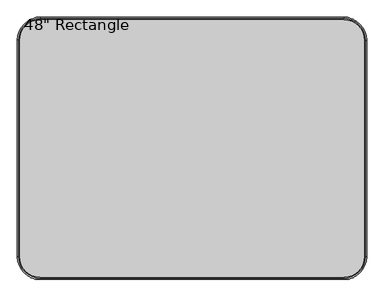
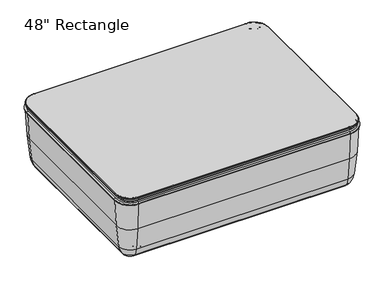
"""IFC4 building model written with IfcOpenShell, lengths in millimetres: furniture geometry."""

from ifc_helpers import new_model, si_unit, point, frame, origin, place, context, project, spatial, polyline, circle_curve, ellipse_curve, trimmed, source, transform, mapped, element, save
from ifc_brep_helpers import plane_surface, cylinder_surface, revolved_surface, advanced_brep


def furniture_ca4c67f7(model_context):
    return source(origin(), model_context, "Body", "AdvancedBrep", [
        advanced_brep(
        [(452.4001866, 300.0089309, 25.0), (489.9023802, 300.0089309, 25.0), (414.8979929, 300.0089309, 25.0), (489.9023802, 300.0089309, 10.0663568), (414.8979929, 300.0089309, 10.0663568), (479.8360233, 300.0089309, 0.0), (424.9643498, 300.0089309, 0.0), (452.4001866, 300.0089309, 0.0)],
        [
            (0, 1),
            (1, 2, circle_curve(frame((452.4001866, 300.0089309, 25.0), z_axis=(0.0, 0.0, 1.0), x_axis=(1.0, 0.0, 0.0)), 37.5021936)),
            (2, 0),
            (2, 1, circle_curve(frame((452.4001866, 300.0089309, 25.0), z_axis=(0.0, 0.0, 1.0), x_axis=(1.0, 0.0, 0.0)), 37.5021936)),
            (1, 3),
            (3, 4, circle_curve(frame((452.4001866, 300.0089309, 10.0663568), z_axis=(0.0, 0.0, 1.0), x_axis=(1.0, 0.0, 0.0)), 37.5021936)),
            (4, 2),
            (4, 3, circle_curve(frame((452.4001866, 300.0089309, 10.0663568), z_axis=(0.0, 0.0, 1.0), x_axis=(1.0, 0.0, 0.0)), 37.5021936)),
            (3, 5, circle_curve(frame((479.8360233, 300.0089309, 10.0663568), z_axis=(0.0, 1.0, 0.0), x_axis=(-1.0, 0.0, 0.0)), 10.0663568)),
            (5, 6, circle_curve(frame((452.4001866, 300.0089309, 0.0), z_axis=(0.0, 0.0, 1.0), x_axis=(1.0, 0.0, 0.0)), 27.4358368)),
            (6, 4, circle_curve(frame((424.9643498, 300.0089309, 10.0663568), z_axis=(0.0, 1.0, 0.0), x_axis=(1.0, 0.0, 0.0)), 10.0663568)),
            (6, 5, circle_curve(frame((452.4001866, 300.0089309, 0.0), z_axis=(0.0, 0.0, 1.0), x_axis=(1.0, 0.0, 0.0)), 27.4358368)),
            (5, 7),
            (7, 6),
        ],
        [
            plane_surface(frame((452.4001866, 300.0089309, 25.0), z_axis=(0.0, 0.0, 1.0), x_axis=(1.0, 0.0, 0.0))),
            cylinder_surface(frame((452.4001866, 300.0089309, 25.0), z_axis=(0.0, 0.0, 1.0), x_axis=(1.0, 0.0, 0.0)), 37.5021936),
            revolved_surface(trimmed(ellipse_curve(frame((479.8360233, 300.0089309, 10.0663568), z_axis=(0.0, -1.0, 0.0), x_axis=(-1.0, 0.0, 0.0)), 10.0663568, 10.0663568), [point((479.8360233, 300.0089309, 0.0))], [point((489.9023802, 300.0089309, 10.0663568))], True, "CARTESIAN"), (452.4001866, 300.0089309, 25.0), (0.0, 0.0, 1.0)),
            plane_surface(frame((452.4001866, 300.0089309, 0.0), z_axis=(0.0, 0.0, -1.0), x_axis=(1.0, 0.0, 0.0))),
        ],
        [
            (0, [[1, 2, 3]]),
            (0, [[-3, 4, -1]]),
            (1, [[-2, 5, 6, 7]]),
            (1, [[-4, -7, 8, -5]]),
            (2, [[-6, 9, 10, 11]]),
            (2, [[-8, -11, 12, -9]]),
            (3, [[-10, 13, 14]]),
            (3, [[-12, -14, -13]]),
        ],
    ),
        advanced_brep(
        [(-414.8979929, 300.0089309, 25.0), (-489.9023802, 300.0089309, 25.0), (-452.4001866, 300.0089309, 25.0), (-414.8979929, 300.0089309, 10.0663568), (-489.9023802, 300.0089309, 10.0663568), (-424.9643498, 300.0089309, 0.0), (-479.8360233, 300.0089309, 0.0), (-452.4001866, 300.0089309, 0.0)],
        [
            (0, 1, circle_curve(frame((-452.4001866, 300.0089309, 25.0), z_axis=(0.0, 0.0, 1.0), x_axis=(-1.0, 0.0, 0.0)), 37.5021936)),
            (1, 2),
            (2, 0),
            (1, 0, circle_curve(frame((-452.4001866, 300.0089309, 25.0), z_axis=(0.0, 0.0, 1.0), x_axis=(-1.0, 0.0, 0.0)), 37.5021936)),
            (3, 4, circle_curve(frame((-452.4001866, 300.0089309, 10.0663568), z_axis=(0.0, 0.0, 1.0), x_axis=(-1.0, 0.0, 0.0)), 37.5021936)),
            (4, 1),
            (0, 3),
            (4, 3, circle_curve(frame((-452.4001866, 300.0089309, 10.0663568), z_axis=(0.0, 0.0, 1.0), x_axis=(-1.0, 0.0, 0.0)), 37.5021936)),
            (5, 6, circle_curve(frame((-452.4001866, 300.0089309, 0.0), z_axis=(0.0, 0.0, 1.0), x_axis=(-1.0, 0.0, 0.0)), 27.4358368)),
            (6, 4, circle_curve(frame((-479.8360233, 300.0089309, 10.0663568), z_axis=(0.0, 1.0, 0.0), x_axis=(-1.0, 0.0, 0.0)), 10.0663568)),
            (3, 5, circle_curve(frame((-424.9643498, 300.0089309, 10.0663568), z_axis=(0.0, 1.0, 0.0), x_axis=(1.0, 0.0, 0.0)), 10.0663568)),
            (6, 5, circle_curve(frame((-452.4001866, 300.0089309, 0.0), z_axis=(0.0, 0.0, 1.0), x_axis=(-1.0, 0.0, 0.0)), 27.4358368)),
            (7, 6),
            (5, 7),
        ],
        [
            plane_surface(frame((-452.4001866, 300.0089309, 25.0), z_axis=(0.0, 0.0, 1.0), x_axis=(-1.0, 0.0, 0.0))),
            cylinder_surface(frame((-452.4001866, 300.0089309, 25.0), z_axis=(0.0, 0.0, -1.0), x_axis=(-1.0, 0.0, 0.0)), 37.5021936),
            revolved_surface(trimmed(ellipse_curve(frame((-479.8360233, 300.0089309, 10.0663568), z_axis=(0.0, -1.0, 0.0), x_axis=(-1.0, 0.0, 0.0)), 10.0663568, 10.0663568), [point((-489.9023802, 300.0089309, 10.0663568))], [point((-479.8360233, 300.0089309, 0.0))], True, "CARTESIAN"), (-452.4001866, 300.0089309, 25.0), (0.0, 0.0, -1.0)),
            plane_surface(frame((-452.4001866, 300.0089309, 0.0), z_axis=(0.0, 0.0, -1.0), x_axis=(-1.0, 0.0, 0.0))),
        ],
        [
            (0, [[1, 2, 3]]),
            (0, [[4, -3, -2]]),
            (1, [[5, 6, -1, 7]]),
            (1, [[8, -7, -4, -6]]),
            (2, [[9, 10, -5, 11]]),
            (2, [[12, -11, -8, -10]]),
            (3, [[13, -9, 14]]),
            (3, [[-14, -12, -13]]),
        ],
    ),
        advanced_brep(
        [(414.8979929, -300.0089309, 25.0), (489.9023802, -300.0089309, 25.0), (452.4001866, -300.0089309, 25.0), (414.8979929, -300.0089309, 10.0663568), (489.9023802, -300.0089309, 10.0663568), (424.9643498, -300.0089309, 0.0), (479.8360233, -300.0089309, 0.0), (452.4001866, -300.0089309, 0.0)],
        [
            (0, 1, circle_curve(frame((452.4001866, -300.0089309, 25.0), z_axis=(0.0, 0.0, 1.0), x_axis=(1.0, 0.0, 0.0)), 37.5021936)),
            (1, 2),
            (2, 0),
            (1, 0, circle_curve(frame((452.4001866, -300.0089309, 25.0), z_axis=(0.0, 0.0, 1.0), x_axis=(1.0, 0.0, 0.0)), 37.5021936)),
            (3, 4, circle_curve(frame((452.4001866, -300.0089309, 10.0663568), z_axis=(0.0, 0.0, 1.0), x_axis=(1.0, 0.0, 0.0)), 37.5021936)),
            (4, 1),
            (0, 3),
            (4, 3, circle_curve(frame((452.4001866, -300.0089309, 10.0663568), z_axis=(0.0, 0.0, 1.0), x_axis=(1.0, 0.0, 0.0)), 37.5021936)),
            (5, 6, circle_curve(frame((452.4001866, -300.0089309, 0.0), z_axis=(0.0, 0.0, 1.0), x_axis=(1.0, 0.0, 0.0)), 27.4358368)),
            (6, 4, circle_curve(frame((479.8360233, -300.0089309, 10.0663568), z_axis=(0.0, -1.0, 0.0), x_axis=(-1.0, 0.0, 0.0)), 10.0663568)),
            (3, 5, circle_curve(frame((424.9643498, -300.0089309, 10.0663568), z_axis=(0.0, -1.0, 0.0), x_axis=(1.0, 0.0, 0.0)), 10.0663568)),
            (6, 5, circle_curve(frame((452.4001866, -300.0089309, 0.0), z_axis=(0.0, 0.0, 1.0), x_axis=(1.0, 0.0, 0.0)), 27.4358368)),
            (7, 6),
            (5, 7),
        ],
        [
            plane_surface(frame((452.4001866, -300.0089309, 25.0), z_axis=(0.0, 0.0, 1.0), x_axis=(1.0, 0.0, 0.0))),
            cylinder_surface(frame((452.4001866, -300.0089309, 25.0), z_axis=(0.0, 0.0, -1.0), x_axis=(1.0, 0.0, 0.0)), 37.5021936),
            revolved_surface(trimmed(ellipse_curve(frame((479.8360233, -300.0089309, 10.0663568), z_axis=(0.0, 1.0, 0.0), x_axis=(-1.0, 0.0, 0.0)), 10.0663568, 10.0663568), [point((489.9023802, -300.0089309, 10.0663568))], [point((479.8360233, -300.0089309, 0.0))], True, "CARTESIAN"), (452.4001866, -300.0089309, 25.0), (0.0, 0.0, -1.0)),
            plane_surface(frame((452.4001866, -300.0089309, 0.0), z_axis=(0.0, 0.0, -1.0), x_axis=(1.0, 0.0, 0.0))),
        ],
        [
            (0, [[1, 2, 3]]),
            (0, [[4, -3, -2]]),
            (1, [[5, 6, -1, 7]]),
            (1, [[8, -7, -4, -6]]),
            (2, [[9, 10, -5, 11]]),
            (2, [[12, -11, -8, -10]]),
            (3, [[13, -9, 14]]),
            (3, [[-14, -12, -13]]),
        ],
    ),
        advanced_brep(
        [(-452.4001866, -300.0089309, 25.0), (-489.9023802, -300.0089309, 25.0), (-414.8979929, -300.0089309, 25.0), (-489.9023802, -300.0089309, 10.0663568), (-414.8979929, -300.0089309, 10.0663568), (-479.8360233, -300.0089309, 0.0), (-424.9643498, -300.0089309, 0.0), (-452.4001866, -300.0089309, 0.0)],
        [
            (0, 1),
            (1, 2, circle_curve(frame((-452.4001866, -300.0089309, 25.0), z_axis=(0.0, 0.0, 1.0), x_axis=(-1.0, 0.0, 0.0)), 37.5021936)),
            (2, 0),
            (2, 1, circle_curve(frame((-452.4001866, -300.0089309, 25.0), z_axis=(0.0, 0.0, 1.0), x_axis=(-1.0, 0.0, 0.0)), 37.5021936)),
            (1, 3),
            (3, 4, circle_curve(frame((-452.4001866, -300.0089309, 10.0663568), z_axis=(0.0, 0.0, 1.0), x_axis=(-1.0, 0.0, 0.0)), 37.5021936)),
            (4, 2),
            (4, 3, circle_curve(frame((-452.4001866, -300.0089309, 10.0663568), z_axis=(0.0, 0.0, 1.0), x_axis=(-1.0, 0.0, 0.0)), 37.5021936)),
            (3, 5, circle_curve(frame((-479.8360233, -300.0089309, 10.0663568), z_axis=(0.0, -1.0, 0.0), x_axis=(-1.0, 0.0, 0.0)), 10.0663568)),
            (5, 6, circle_curve(frame((-452.4001866, -300.0089309, 0.0), z_axis=(0.0, 0.0, 1.0), x_axis=(-1.0, 0.0, 0.0)), 27.4358368)),
            (6, 4, circle_curve(frame((-424.9643498, -300.0089309, 10.0663568), z_axis=(0.0, -1.0, 0.0), x_axis=(1.0, 0.0, 0.0)), 10.0663568)),
            (6, 5, circle_curve(frame((-452.4001866, -300.0089309, 0.0), z_axis=(0.0, 0.0, 1.0), x_axis=(-1.0, 0.0, 0.0)), 27.4358368)),
            (5, 7),
            (7, 6),
        ],
        [
            plane_surface(frame((-452.4001866, -300.0089309, 25.0), z_axis=(0.0, 0.0, 1.0), x_axis=(-1.0, 0.0, 0.0))),
            cylinder_surface(frame((-452.4001866, -300.0089309, 25.0), z_axis=(0.0, 0.0, 1.0), x_axis=(-1.0, 0.0, 0.0)), 37.5021936),
            revolved_surface(trimmed(ellipse_curve(frame((-479.8360233, -300.0089309, 10.0663568), z_axis=(0.0, 1.0, 0.0), x_axis=(-1.0, 0.0, 0.0)), 10.0663568, 10.0663568), [point((-479.8360233, -300.0089309, 0.0))], [point((-489.9023802, -300.0089309, 10.0663568))], True, "CARTESIAN"), (-452.4001866, -300.0089309, 25.0), (0.0, 0.0, 1.0)),
            plane_surface(frame((-452.4001866, -300.0089309, 0.0), z_axis=(0.0, 0.0, -1.0), x_axis=(-1.0, 0.0, 0.0))),
        ],
        [
            (0, [[1, 2, 3]]),
            (0, [[-3, 4, -1]]),
            (1, [[-2, 5, 6, 7]]),
            (1, [[-4, -7, 8, -5]]),
            (2, [[-6, 9, 10, 11]]),
            (2, [[-8, -11, 12, -9]]),
            (3, [[-10, 13, 14]]),
            (3, [[-12, -14, -13]]),
        ],
    ),
        advanced_brep(
        [(534.6, -462.1938413, 340.0122715), (614.5938413, -382.2, 340.0122715), (604.6061587, -382.2, 340.0122715), (534.6, -452.2061587, 340.0122715), (-534.6, -452.2061587, 340.0122715), (-534.6, -462.1938413, 340.0122715), (-614.5938413, -382.2, 340.0122715), (-604.6061587, -382.2, 340.0122715), (-604.6061587, 382.2, 340.0122715), (-614.5938413, 382.2, 340.0122715), (-534.6, 462.1938413, 340.0122715), (-534.6, 452.2061587, 340.0122715), (534.6, 452.2061587, 340.0122715), (534.6, 462.1938413, 340.0122715), (614.5938413, 382.2, 340.0122715), (604.6061587, 382.2, 340.0122715)],
        [
            (0, 1, circle_curve(frame((534.6, -382.2, 340.0122715), z_axis=(0.0, 0.0, 1.0), x_axis=(1.0, 0.0, 0.0)), 79.9938413)),
            (1, 2, circle_curve(frame((609.6, -382.2, 340.0122715), z_axis=(0.0, -1.0, 0.0), x_axis=(1.0, 0.0, 0.0)), 4.9938413)),
            (2, 3, circle_curve(frame((534.6, -382.2, 340.0122715), z_axis=(0.0, 0.0, -1.0), x_axis=(1.0, 0.0, 0.0)), 70.0061587)),
            (3, 0, circle_curve(frame((534.6, -457.2, 340.0122715), z_axis=(1.0, 0.0, 0.0), x_axis=(0.0, -1.0, 0.0)), 4.9938413)),
            (2, 1, circle_curve(frame((609.6, -382.2, 340.0122715), z_axis=(0.0, -1.0, 0.0), x_axis=(1.0, 0.0, 0.0)), 4.9938413)),
            (0, 3, circle_curve(frame((534.6, -457.2, 340.0122715), z_axis=(1.0, 0.0, 0.0), x_axis=(0.0, -1.0, 0.0)), 4.9938413)),
            (3, 4),
            (4, 5, circle_curve(frame((-534.6, -457.2, 340.0122715), z_axis=(1.0, 0.0, 0.0), x_axis=(0.0, -1.0, 0.0)), 4.9938413)),
            (5, 0),
            (5, 4, circle_curve(frame((-534.6, -457.2, 340.0122715), z_axis=(1.0, 0.0, 0.0), x_axis=(0.0, -1.0, 0.0)), 4.9938413)),
            (6, 5, circle_curve(frame((-534.6, -382.2, 340.0122715), z_axis=(0.0, 0.0, 1.0), x_axis=(0.0, -1.0, 0.0)), 79.9938413)),
            (4, 7, circle_curve(frame((-534.6, -382.2, 340.0122715), z_axis=(0.0, 0.0, -1.0), x_axis=(0.0, -1.0, 0.0)), 70.0061587)),
            (7, 6, circle_curve(frame((-609.6, -382.2, 340.0122715), z_axis=(0.0, -1.0, 0.0), x_axis=(-1.0, 0.0, 0.0)), 4.9938413)),
            (6, 7, circle_curve(frame((-609.6, -382.2, 340.0122715), z_axis=(0.0, -1.0, 0.0), x_axis=(-1.0, 0.0, 0.0)), 4.9938413)),
            (7, 8),
            (8, 9, circle_curve(frame((-609.6, 382.2, 340.0122715), z_axis=(0.0, -1.0, 0.0), x_axis=(-1.0, 0.0, 0.0)), 4.9938413)),
            (9, 6),
            (9, 8, circle_curve(frame((-609.6, 382.2, 340.0122715), z_axis=(0.0, -1.0, 0.0), x_axis=(-1.0, 0.0, 0.0)), 4.9938413)),
            (10, 9, circle_curve(frame((-534.6, 382.2, 340.0122715), z_axis=(0.0, 0.0, 1.0), x_axis=(-1.0, 0.0, 0.0)), 79.9938413)),
            (8, 11, circle_curve(frame((-534.6, 382.2, 340.0122715), z_axis=(0.0, 0.0, -1.0), x_axis=(-1.0, 0.0, 0.0)), 70.0061587)),
            (11, 10, circle_curve(frame((-534.6, 457.2, 340.0122715), z_axis=(-1.0, 0.0, 0.0), x_axis=(0.0, 1.0, 0.0)), 4.9938413)),
            (10, 11, circle_curve(frame((-534.6, 457.2, 340.0122715), z_axis=(-1.0, 0.0, 0.0), x_axis=(0.0, 1.0, 0.0)), 4.9938413)),
            (11, 12),
            (12, 13, circle_curve(frame((534.6, 457.2, 340.0122715), z_axis=(-1.0, 0.0, 0.0), x_axis=(0.0, 1.0, 0.0)), 4.9938413)),
            (13, 10),
            (13, 12, circle_curve(frame((534.6, 457.2, 340.0122715), z_axis=(-1.0, 0.0, 0.0), x_axis=(0.0, 1.0, 0.0)), 4.9938413)),
            (14, 13, circle_curve(frame((534.6, 382.2, 340.0122715), z_axis=(0.0, 0.0, 1.0), x_axis=(0.0, 1.0, 0.0)), 79.9938413)),
            (12, 15, circle_curve(frame((534.6, 382.2, 340.0122715), z_axis=(0.0, 0.0, -1.0), x_axis=(0.0, 1.0, 0.0)), 70.0061587)),
            (15, 14, circle_curve(frame((609.6, 382.2, 340.0122715), z_axis=(0.0, 1.0, 0.0), x_axis=(1.0, 0.0, 0.0)), 4.9938413)),
            (14, 15, circle_curve(frame((609.6, 382.2, 340.0122715), z_axis=(0.0, 1.0, 0.0), x_axis=(1.0, 0.0, 0.0)), 4.9938413)),
            (15, 2),
            (1, 14),
        ],
        [
            revolved_surface(trimmed(ellipse_curve(frame((609.6, -382.2, 340.0122715), z_axis=(0.0, 1.0, 0.0), x_axis=(1.0, 0.0, 0.0)), 4.9938413, 4.9938413), [point((604.6061587, -382.2, 340.0122715))], [point((614.5938413, -382.2, 340.0122715))], True, "CARTESIAN"), (534.6, -382.2, 335.0184302), (0.0, 0.0, -1.0)),
            revolved_surface(trimmed(ellipse_curve(frame((609.6, -382.2, 340.0122715), z_axis=(0.0, 1.0, 0.0), x_axis=(1.0, 0.0, 0.0)), 4.9938413, 4.9938413), [point((614.5938413, -382.2, 340.0122715))], [point((604.6061587, -382.2, 340.0122715))], True, "CARTESIAN"), (534.6, -382.2, 335.0184302), (0.0, 0.0, -1.0)),
            cylinder_surface(frame((534.6, -457.2, 340.0122715), z_axis=(1.0, 0.0, 0.0), x_axis=(0.0, -1.0, 0.0)), 4.9938413),
            revolved_surface(trimmed(ellipse_curve(frame((-534.6, -457.2, 340.0122715), z_axis=(1.0, 0.0, 0.0), x_axis=(0.0, -1.0, 0.0)), 4.9938413, 4.9938413), [point((-534.6, -452.2061587, 340.0122715))], [point((-534.6, -462.1938413, 340.0122715))], True, "CARTESIAN"), (-534.6, -382.2, 335.0184302), (0.0, 0.0, -1.0)),
            revolved_surface(trimmed(ellipse_curve(frame((-534.6, -457.2, 340.0122715), z_axis=(1.0, 0.0, 0.0), x_axis=(0.0, -1.0, 0.0)), 4.9938413, 4.9938413), [point((-534.6, -462.1938413, 340.0122715))], [point((-534.6, -452.2061587, 340.0122715))], True, "CARTESIAN"), (-534.6, -382.2, 335.0184302), (0.0, 0.0, -1.0)),
            cylinder_surface(frame((-609.6, -382.2, 340.0122715), z_axis=(0.0, -1.0, 0.0), x_axis=(-1.0, 0.0, 0.0)), 4.9938413),
            revolved_surface(trimmed(ellipse_curve(frame((-609.6, 382.2, 340.0122715), z_axis=(0.0, -1.0, 0.0), x_axis=(-1.0, 0.0, 0.0)), 4.9938413, 4.9938413), [point((-604.6061587, 382.2, 340.0122715))], [point((-614.5938413, 382.2, 340.0122715))], True, "CARTESIAN"), (-534.6, 382.2, 335.0184302), (0.0, 0.0, -1.0)),
            revolved_surface(trimmed(ellipse_curve(frame((-609.6, 382.2, 340.0122715), z_axis=(0.0, -1.0, 0.0), x_axis=(-1.0, 0.0, 0.0)), 4.9938413, 4.9938413), [point((-614.5938413, 382.2, 340.0122715))], [point((-604.6061587, 382.2, 340.0122715))], True, "CARTESIAN"), (-534.6, 382.2, 335.0184302), (0.0, 0.0, -1.0)),
            cylinder_surface(frame((-534.6, 457.2, 340.0122715), z_axis=(-1.0, 0.0, 0.0), x_axis=(0.0, 1.0, 0.0)), 4.9938413),
            revolved_surface(trimmed(ellipse_curve(frame((534.6, 457.2, 340.0122715), z_axis=(-1.0, 0.0, 0.0), x_axis=(0.0, 1.0, 0.0)), 4.9938413, 4.9938413), [point((534.6, 452.2061587, 340.0122715))], [point((534.6, 462.1938413, 340.0122715))], True, "CARTESIAN"), (534.6, 382.2, 335.0184302), (0.0, 0.0, -1.0)),
            revolved_surface(trimmed(ellipse_curve(frame((534.6, 457.2, 340.0122715), z_axis=(-1.0, 0.0, 0.0), x_axis=(0.0, 1.0, 0.0)), 4.9938413, 4.9938413), [point((534.6, 462.1938413, 340.0122715))], [point((534.6, 452.2061587, 340.0122715))], True, "CARTESIAN"), (534.6, 382.2, 335.0184302), (0.0, 0.0, -1.0)),
            cylinder_surface(frame((609.6, 382.2, 340.0122715), z_axis=(0.0, 1.0, 0.0), x_axis=(1.0, 0.0, 0.0)), 4.9938413),
        ],
        [
            (0, [[1, 2, 3, 4]]),
            (1, [[-3, 5, -1, 6]]),
            (2, [[-4, 7, 8, 9]]),
            (2, [[-6, -9, 10, -7]]),
            (3, [[11, -8, 12, 13]]),
            (4, [[-12, -10, -11, 14]]),
            (5, [[-13, 15, 16, 17]]),
            (5, [[-14, -17, 18, -15]]),
            (6, [[19, -16, 20, 21]]),
            (7, [[-20, -18, -19, 22]]),
            (8, [[-21, 23, 24, 25]]),
            (8, [[-22, -25, 26, -23]]),
            (9, [[27, -24, 28, 29]]),
            (10, [[-28, -26, -27, 30]]),
            (11, [[-29, 31, -2, 32]]),
            (11, [[-30, -32, -5, -31]]),
        ],
    ),
        advanced_brep(
        [(534.6, 454.025, 370.0), (-534.6, 454.025, 370.0), (-606.425, 382.2, 370.0), (-606.425, -382.2, 370.0), (-534.6, -454.025, 370.0), (534.6, -454.025, 370.0), (606.425, -382.2, 370.0), (606.425, 382.2, 370.0), (-534.6, -430.85, 335.0184302), (-583.25, -382.2, 335.0184302), (-583.25, 382.2, 335.0184302), (-534.6, 430.85, 335.0184302), (534.6, 430.85, 335.0184302), (583.25, 382.2, 335.0184302), (583.25, -382.2, 335.0184302), (534.6, -430.85, 335.0184302), (534.6, -430.85, 340.0), (-534.6, -430.85, 340.0), (583.25, -382.2, 340.0), (583.25, 382.2, 340.0), (534.6, 430.85, 340.0), (-534.6, 430.85, 340.0), (-583.25, 382.2, 340.0), (-583.25, -382.2, 340.0), (-534.6, -437.2, 350.0), (-589.6, -382.2, 350.0), (-589.6, -382.2, 340.0), (-534.6, -437.2, 340.0), (-534.6, -457.2, 366.825), (-609.6, -382.2, 366.825), (-609.6, -382.2, 365.875), (-534.6, -457.2, 365.875), (534.6, -437.2, 340.0), (534.6, -437.2, 350.0), (534.6, -457.2, 365.875), (534.6, -457.2, 366.825), (589.6, -382.2, 340.0), (589.6, -382.2, 350.0), (609.6, -382.2, 365.875), (609.6, -382.2, 366.825), (589.6, 382.2, 340.0), (589.6, 382.2, 350.0), (609.6, 382.2, 365.875), (609.6, 382.2, 366.825), (534.6, 437.2, 340.0), (534.6, 437.2, 350.0), (534.6, 457.2, 365.875), (534.6, 457.2, 366.825), (-534.6, 437.2, 340.0), (-534.6, 437.2, 350.0), (-534.6, 457.2, 365.875), (-534.6, 457.2, 366.825), (-589.6, 382.2, 340.0), (-589.6, 382.2, 350.0), (-609.6, 382.2, 365.875), (-609.6, 382.2, 366.825), (-593.725, -382.2, 350.0), (-593.725, 382.2, 350.0), (-534.6, 441.325, 350.0), (534.6, 441.325, 350.0), (593.725, 382.2, 350.0), (593.725, -382.2, 350.0), (534.6, -441.325, 350.0), (-534.6, -441.325, 350.0)],
        [
            (0, 1),
            (1, 2, circle_curve(frame((-534.6, 382.2, 370.0), z_axis=(0.0, 0.0, 1.0), x_axis=(0.0, 1.0, 0.0)), 71.825)),
            (2, 3),
            (3, 4, circle_curve(frame((-534.6, -382.2, 370.0), z_axis=(0.0, 0.0, 1.0), x_axis=(-1.0, 0.0, 0.0)), 71.825)),
            (4, 5),
            (5, 6, circle_curve(frame((534.6, -382.2, 370.0), z_axis=(0.0, 0.0, 1.0), x_axis=(0.0, -1.0, 0.0)), 71.825)),
            (6, 7),
            (7, 0, circle_curve(frame((534.6, 382.2, 370.0), z_axis=(0.0, 0.0, 1.0), x_axis=(1.0, 0.0, 0.0)), 71.825)),
            (8, 9, circle_curve(frame((-534.6, -382.2, 335.0184302), z_axis=(0.0, 0.0, -1.0), x_axis=(-1.0, 0.0, 0.0)), 48.65)),
            (9, 10),
            (10, 11, circle_curve(frame((-534.6, 382.2, 335.0184302), z_axis=(0.0, 0.0, -1.0), x_axis=(-1.0, 0.0, 0.0)), 48.65)),
            (11, 12),
            (12, 13, circle_curve(frame((534.6, 382.2, 335.0184302), z_axis=(0.0, 0.0, -1.0), x_axis=(-1.0, 0.0, 0.0)), 48.65)),
            (13, 14),
            (14, 15, circle_curve(frame((534.6, -382.2, 335.0184302), z_axis=(0.0, 0.0, -1.0), x_axis=(-1.0, 0.0, 0.0)), 48.65)),
            (15, 8),
            (15, 16),
            (16, 17),
            (17, 8),
            (14, 18),
            (18, 16, circle_curve(frame((534.6, -382.2, 340.0), z_axis=(0.0, 0.0, -1.0), x_axis=(-1.0, 0.0, 0.0)), 48.65)),
            (13, 19),
            (19, 18),
            (12, 20),
            (20, 19, circle_curve(frame((534.6, 382.2, 340.0), z_axis=(0.0, 0.0, -1.0), x_axis=(-1.0, 0.0, 0.0)), 48.65)),
            (11, 21),
            (21, 20),
            (10, 22),
            (22, 21, circle_curve(frame((-534.6, 382.2, 340.0), z_axis=(0.0, 0.0, -1.0), x_axis=(-1.0, 0.0, 0.0)), 48.65)),
            (9, 23),
            (23, 22),
            (17, 23, circle_curve(frame((-534.6, -382.2, 340.0), z_axis=(0.0, 0.0, -1.0), x_axis=(-1.0, 0.0, 0.0)), 48.65)),
            (24, 25, circle_curve(frame((-534.6, -382.2, 350.0), z_axis=(0.0, 0.0, -1.0), x_axis=(-1.0, 0.0, 0.0)), 55.0)),
            (25, 26),
            (26, 27, circle_curve(frame((-534.6, -382.2, 340.0), z_axis=(0.0, 0.0, 1.0), x_axis=(-1.0, 0.0, 0.0)), 55.0)),
            (27, 24),
            (28, 29, circle_curve(frame((-534.6, -382.2, 366.825), z_axis=(0.0, 0.0, -1.0), x_axis=(-1.0, 0.0, 0.0)), 75.0)),
            (29, 30),
            (30, 31, circle_curve(frame((-534.6, -382.2, 365.875), z_axis=(0.0, 0.0, 1.0), x_axis=(-1.0, 0.0, 0.0)), 75.0)),
            (31, 28),
            (27, 32),
            (32, 33),
            (33, 24),
            (31, 34),
            (34, 35),
            (35, 28),
            (32, 36, circle_curve(frame((534.6, -382.2, 340.0), z_axis=(0.0, 0.0, 1.0), x_axis=(0.0, -1.0, 0.0)), 55.0)),
            (36, 37),
            (37, 33, circle_curve(frame((534.6, -382.2, 350.0), z_axis=(0.0, 0.0, -1.0), x_axis=(0.0, -1.0, 0.0)), 55.0)),
            (34, 38, circle_curve(frame((534.6, -382.2, 365.875), z_axis=(0.0, 0.0, 1.0), x_axis=(0.0, -1.0, 0.0)), 75.0)),
            (38, 39),
            (39, 35, circle_curve(frame((534.6, -382.2, 366.825), z_axis=(0.0, 0.0, -1.0), x_axis=(0.0, -1.0, 0.0)), 75.0)),
            (36, 40),
            (40, 41),
            (41, 37),
            (38, 42),
            (42, 43),
            (43, 39),
            (40, 44, circle_curve(frame((534.6, 382.2, 340.0), z_axis=(0.0, 0.0, 1.0), x_axis=(1.0, 0.0, 0.0)), 55.0)),
            (44, 45),
            (45, 41, circle_curve(frame((534.6, 382.2, 350.0), z_axis=(0.0, 0.0, -1.0), x_axis=(1.0, 0.0, 0.0)), 55.0)),
            (42, 46, circle_curve(frame((534.6, 382.2, 365.875), z_axis=(0.0, 0.0, 1.0), x_axis=(1.0, 0.0, 0.0)), 75.0)),
            (46, 47),
            (47, 43, circle_curve(frame((534.6, 382.2, 366.825), z_axis=(0.0, 0.0, -1.0), x_axis=(1.0, 0.0, 0.0)), 75.0)),
            (44, 48),
            (48, 49),
            (49, 45),
            (46, 50),
            (50, 51),
            (51, 47),
            (48, 52, circle_curve(frame((-534.6, 382.2, 340.0), z_axis=(0.0, 0.0, 1.0), x_axis=(0.0, 1.0, 0.0)), 55.0)),
            (52, 53),
            (53, 49, circle_curve(frame((-534.6, 382.2, 350.0), z_axis=(0.0, 0.0, -1.0), x_axis=(0.0, 1.0, 0.0)), 55.0)),
            (50, 54, circle_curve(frame((-534.6, 382.2, 365.875), z_axis=(0.0, 0.0, 1.0), x_axis=(0.0, 1.0, 0.0)), 75.0)),
            (54, 55),
            (55, 51, circle_curve(frame((-534.6, 382.2, 366.825), z_axis=(0.0, 0.0, -1.0), x_axis=(0.0, 1.0, 0.0)), 75.0)),
            (25, 53),
            (52, 26),
            (56, 57),
            (57, 58, circle_curve(frame((-534.6, 382.2, 350.0), z_axis=(0.0, 0.0, -1.0), x_axis=(0.0, 1.0, 0.0)), 59.125)),
            (58, 59),
            (59, 60, circle_curve(frame((534.6, 382.2, 350.0), z_axis=(0.0, 0.0, -1.0), x_axis=(1.0, 0.0, 0.0)), 59.125)),
            (60, 61),
            (61, 62, circle_curve(frame((534.6, -382.2, 350.0), z_axis=(0.0, 0.0, -1.0), x_axis=(0.0, -1.0, 0.0)), 59.125)),
            (62, 63),
            (63, 56, circle_curve(frame((-534.6, -382.2, 350.0), z_axis=(0.0, 0.0, -1.0), x_axis=(-1.0, 0.0, 0.0)), 59.125)),
            (29, 55),
            (54, 30),
            (30, 56, circle_curve(frame((-593.725, -382.2, 365.875), z_axis=(0.0, -1.0, 0.0), x_axis=(1.0, 0.0, 0.0)), 15.875)),
            (63, 31, circle_curve(frame((-534.6, -441.325, 365.875), z_axis=(-1.0, 0.0, 0.0), x_axis=(0.0, 1.0, 0.0)), 15.875)),
            (28, 4, circle_curve(frame((-534.6, -454.025, 366.825), z_axis=(-1.0, 0.0, 0.0), x_axis=(0.0, 1.0, 0.0)), 3.175)),
            (3, 29, circle_curve(frame((-606.425, -382.2, 366.825), z_axis=(0.0, -1.0, 0.0), x_axis=(1.0, 0.0, 0.0)), 3.175)),
            (62, 34, circle_curve(frame((534.6, -441.325, 365.875), z_axis=(-1.0, 0.0, 0.0), x_axis=(0.0, 1.0, 0.0)), 15.875)),
            (35, 5, circle_curve(frame((534.6, -454.025, 366.825), z_axis=(-1.0, 0.0, 0.0), x_axis=(0.0, 1.0, 0.0)), 3.175)),
            (61, 38, circle_curve(frame((593.725, -382.2, 365.875), z_axis=(0.0, -1.0, 0.0), x_axis=(-1.0, 0.0, 0.0)), 15.875)),
            (39, 6, circle_curve(frame((606.425, -382.2, 366.825), z_axis=(0.0, -1.0, 0.0), x_axis=(-1.0, 0.0, 0.0)), 3.175)),
            (60, 42, circle_curve(frame((593.725, 382.2, 365.875), z_axis=(0.0, -1.0, 0.0), x_axis=(-1.0, 0.0, 0.0)), 15.875)),
            (43, 7, circle_curve(frame((606.425, 382.2, 366.825), z_axis=(0.0, -1.0, 0.0), x_axis=(-1.0, 0.0, 0.0)), 3.175)),
            (59, 46, circle_curve(frame((534.6, 441.325, 365.875), z_axis=(1.0, 0.0, 0.0), x_axis=(0.0, -1.0, 0.0)), 15.875)),
            (47, 0, circle_curve(frame((534.6, 454.025, 366.825), z_axis=(1.0, 0.0, 0.0), x_axis=(0.0, -1.0, 0.0)), 3.175)),
            (58, 50, circle_curve(frame((-534.6, 441.325, 365.875), z_axis=(1.0, 0.0, 0.0), x_axis=(0.0, -1.0, 0.0)), 15.875)),
            (51, 1, circle_curve(frame((-534.6, 454.025, 366.825), z_axis=(1.0, 0.0, 0.0), x_axis=(0.0, -1.0, 0.0)), 3.175)),
            (57, 54, circle_curve(frame((-593.725, 382.2, 365.875), z_axis=(0.0, 1.0, 0.0), x_axis=(1.0, 0.0, 0.0)), 15.875)),
            (55, 2, circle_curve(frame((-606.425, 382.2, 366.825), z_axis=(0.0, 1.0, 0.0), x_axis=(1.0, 0.0, 0.0)), 3.175)),
        ],
        [
            plane_surface(frame((534.6, -430.85, 370.0), z_axis=(0.0, 0.0, 1.0), x_axis=(1.0, 0.0, 0.0))),
            plane_surface(frame((534.6, -430.85, 335.0184302), z_axis=(0.0, 0.0, -1.0), x_axis=(-1.0, 0.0, 0.0))),
            plane_surface(frame((-534.6, -430.85, 370.0), z_axis=(0.0, -1.0, 0.0), x_axis=(0.0, 0.0, -1.0))),
            cylinder_surface(frame((534.6, -382.2, 335.0184302), z_axis=(0.0, 0.0, 1.0), x_axis=(-1.0, 0.0, 0.0)), 48.65),
            plane_surface(frame((583.25, -382.2, 370.0), z_axis=(1.0, 0.0, 0.0), x_axis=(0.0, 0.0, -1.0))),
            cylinder_surface(frame((534.6, 382.2, 335.0184302), z_axis=(0.0, 0.0, 1.0), x_axis=(-1.0, 0.0, 0.0)), 48.65),
            plane_surface(frame((534.6, 430.85, 370.0), z_axis=(0.0, 1.0, 0.0), x_axis=(0.0, 0.0, -1.0))),
            cylinder_surface(frame((-534.6, 382.2, 335.0184302), z_axis=(0.0, 0.0, 1.0), x_axis=(-1.0, 0.0, 0.0)), 48.65),
            plane_surface(frame((-583.25, 382.2, 370.0), z_axis=(-1.0, 0.0, 0.0), x_axis=(0.0, 0.0, -1.0))),
            cylinder_surface(frame((-534.6, -382.2, 335.0184302), z_axis=(0.0, 0.0, 1.0), x_axis=(-1.0, 0.0, 0.0)), 48.65),
            cylinder_surface(frame((-534.6, -382.2, 0.0), z_axis=(0.0, 0.0, 1.0), x_axis=(-1.0, 0.0, 0.0)), 55.0),
            cylinder_surface(frame((-534.6, -382.2, 0.0), z_axis=(0.0, 0.0, 1.0), x_axis=(-1.0, 0.0, 0.0)), 75.0),
            plane_surface(frame((-534.6, -437.2, 340.0), z_axis=(0.0, -1.0, 0.0), x_axis=(1.0, 0.0, 0.0))),
            plane_surface(frame((-534.6, -457.2, 365.875), z_axis=(0.0, -1.0, 0.0), x_axis=(1.0, 0.0, 0.0))),
            cylinder_surface(frame((534.6, -382.2, 0.0), z_axis=(0.0, 0.0, 1.0), x_axis=(0.0, -1.0, 0.0)), 55.0),
            cylinder_surface(frame((534.6, -382.2, 0.0), z_axis=(0.0, 0.0, 1.0), x_axis=(0.0, -1.0, 0.0)), 75.0),
            plane_surface(frame((589.6, -382.2, 340.0), z_axis=(1.0, 0.0, 0.0), x_axis=(0.0, 1.0, 0.0))),
            plane_surface(frame((609.6, -382.2, 365.875), z_axis=(1.0, 0.0, 0.0), x_axis=(0.0, 1.0, 0.0))),
            cylinder_surface(frame((534.6, 382.2, 0.0), z_axis=(0.0, 0.0, 1.0), x_axis=(1.0, 0.0, 0.0)), 55.0),
            cylinder_surface(frame((534.6, 382.2, 0.0), z_axis=(0.0, 0.0, 1.0), x_axis=(1.0, 0.0, 0.0)), 75.0),
            plane_surface(frame((534.6, 437.2, 340.0), z_axis=(0.0, 1.0, 0.0), x_axis=(-1.0, 0.0, 0.0))),
            plane_surface(frame((534.6, 457.2, 365.875), z_axis=(0.0, 1.0, 0.0), x_axis=(-1.0, 0.0, 0.0))),
            cylinder_surface(frame((-534.6, 382.2, 0.0), z_axis=(0.0, 0.0, 1.0), x_axis=(0.0, 1.0, 0.0)), 55.0),
            cylinder_surface(frame((-534.6, 382.2, 0.0), z_axis=(0.0, 0.0, 1.0), x_axis=(0.0, 1.0, 0.0)), 75.0),
            plane_surface(frame((-589.6, 382.2, 340.0), z_axis=(-1.0, 0.0, 0.0), x_axis=(0.0, -1.0, 0.0))),
            plane_surface(frame((-589.6, 382.2, 350.0), z_axis=(0.0, 0.0, -1.0), x_axis=(0.0, -1.0, 0.0))),
            plane_surface(frame((-609.6, 382.2, 365.875), z_axis=(-1.0, 0.0, 0.0), x_axis=(0.0, -1.0, 0.0))),
            plane_surface(frame((-583.25, 382.2, 340.0), z_axis=(0.0, 0.0, -1.0), x_axis=(0.0, -1.0, 0.0))),
            revolved_surface(trimmed(ellipse_curve(frame((-593.725, -382.2, 365.875), z_axis=(0.0, 1.0, 0.0), x_axis=(1.0, 0.0, 0.0)), 15.875, 15.875), [point((-593.725, -382.2, 350.0))], [point((-609.6, -382.2, 365.875))], True, "CARTESIAN"), (-534.6, -382.2, 0.0), (0.0, 0.0, 1.0)),
            revolved_surface(trimmed(ellipse_curve(frame((-606.425, -382.2, 366.825), z_axis=(0.0, 1.0, 0.0), x_axis=(1.0, 0.0, 0.0)), 3.175, 3.175), [point((-609.6, -382.2, 366.825))], [point((-606.425, -382.2, 370.0))], True, "CARTESIAN"), (-534.6, -382.2, 0.0), (0.0, 0.0, 1.0)),
            cylinder_surface(frame((-534.6, -441.325, 365.875), z_axis=(-1.0, 0.0, 0.0), x_axis=(0.0, 1.0, 0.0)), 15.875),
            cylinder_surface(frame((-534.6, -454.025, 366.825), z_axis=(-1.0, 0.0, 0.0), x_axis=(0.0, 1.0, 0.0)), 3.175),
            revolved_surface(trimmed(ellipse_curve(frame((534.6, -441.325, 365.875), z_axis=(-1.0, 0.0, 0.0), x_axis=(0.0, 1.0, 0.0)), 15.875, 15.875), [point((534.6, -441.325, 350.0))], [point((534.6, -457.2, 365.875))], True, "CARTESIAN"), (534.6, -382.2, 0.0), (0.0, 0.0, 1.0)),
            revolved_surface(trimmed(ellipse_curve(frame((534.6, -454.025, 366.825), z_axis=(-1.0, 0.0, 0.0), x_axis=(0.0, 1.0, 0.0)), 3.175, 3.175), [point((534.6, -457.2, 366.825))], [point((534.6, -454.025, 370.0))], True, "CARTESIAN"), (534.6, -382.2, 0.0), (0.0, 0.0, 1.0)),
            cylinder_surface(frame((593.725, -382.2, 365.875), z_axis=(0.0, -1.0, 0.0), x_axis=(-1.0, 0.0, 0.0)), 15.875),
            cylinder_surface(frame((606.425, -382.2, 366.825), z_axis=(0.0, -1.0, 0.0), x_axis=(-1.0, 0.0, 0.0)), 3.175),
            revolved_surface(trimmed(ellipse_curve(frame((593.725, 382.2, 365.875), z_axis=(0.0, -1.0, 0.0), x_axis=(-1.0, 0.0, 0.0)), 15.875, 15.875), [point((593.725, 382.2, 350.0))], [point((609.6, 382.2, 365.875))], True, "CARTESIAN"), (534.6, 382.2, 0.0), (0.0, 0.0, 1.0)),
            revolved_surface(trimmed(ellipse_curve(frame((606.425, 382.2, 366.825), z_axis=(0.0, -1.0, 0.0), x_axis=(-1.0, 0.0, 0.0)), 3.175, 3.175), [point((609.6, 382.2, 366.825))], [point((606.425, 382.2, 370.0))], True, "CARTESIAN"), (534.6, 382.2, 0.0), (0.0, 0.0, 1.0)),
            cylinder_surface(frame((534.6, 441.325, 365.875), z_axis=(1.0, 0.0, 0.0), x_axis=(0.0, -1.0, 0.0)), 15.875),
            cylinder_surface(frame((534.6, 454.025, 366.825), z_axis=(1.0, 0.0, 0.0), x_axis=(0.0, -1.0, 0.0)), 3.175),
            revolved_surface(trimmed(ellipse_curve(frame((-534.6, 441.325, 365.875), z_axis=(1.0, 0.0, 0.0), x_axis=(0.0, -1.0, 0.0)), 15.875, 15.875), [point((-534.6, 441.325, 350.0))], [point((-534.6, 457.2, 365.875))], True, "CARTESIAN"), (-534.6, 382.2, 0.0), (0.0, 0.0, 1.0)),
            revolved_surface(trimmed(ellipse_curve(frame((-534.6, 454.025, 366.825), z_axis=(1.0, 0.0, 0.0), x_axis=(0.0, -1.0, 0.0)), 3.175, 3.175), [point((-534.6, 457.2, 366.825))], [point((-534.6, 454.025, 370.0))], True, "CARTESIAN"), (-534.6, 382.2, 0.0), (0.0, 0.0, 1.0)),
            cylinder_surface(frame((-593.725, 382.2, 365.875), z_axis=(0.0, 1.0, 0.0), x_axis=(1.0, 0.0, 0.0)), 15.875),
            cylinder_surface(frame((-606.425, 382.2, 366.825), z_axis=(0.0, 1.0, 0.0), x_axis=(1.0, 0.0, 0.0)), 3.175),
        ],
        [
            (0, [[1, 2, 3, 4, 5, 6, 7, 8]]),
            (1, [[9, 10, 11, 12, 13, 14, 15, 16]]),
            (2, [[-16, 17, 18, 19]]),
            (3, [[-15, 20, 21, -17]]),
            (4, [[-14, 22, 23, -20]]),
            (5, [[-13, 24, 25, -22]]),
            (6, [[-12, 26, 27, -24]]),
            (7, [[-11, 28, 29, -26]]),
            (8, [[-10, 30, 31, -28]]),
            (9, [[-9, -19, 32, -30]]),
            (10, [[33, 34, 35, 36]]),
            (11, [[37, 38, 39, 40]]),
            (12, [[-36, 41, 42, 43]]),
            (13, [[-40, 44, 45, 46]]),
            (14, [[-42, 47, 48, 49]]),
            (15, [[-45, 50, 51, 52]]),
            (16, [[-48, 53, 54, 55]]),
            (17, [[-51, 56, 57, 58]]),
            (18, [[-54, 59, 60, 61]]),
            (19, [[-57, 62, 63, 64]]),
            (20, [[-60, 65, 66, 67]]),
            (21, [[-63, 68, 69, 70]]),
            (22, [[-66, 71, 72, 73]]),
            (23, [[-69, 74, 75, 76]]),
            (24, [[-34, 77, -72, 78]]),
            (25, [[79, 80, 81, 82, 83, 84, 85, 86], [-33, -43, -49, -55, -61, -67, -73, -77]]),
            (26, [[-38, 87, -75, 88]]),
            (27, [[-35, -78, -71, -65, -59, -53, -47, -41], [-18, -21, -23, -25, -27, -29, -31, -32]]),
            (28, [[-39, 89, -86, 90]]),
            (29, [[-37, 91, -4, 92]]),
            (30, [[-44, -90, -85, 93]]),
            (31, [[-46, 94, -5, -91]]),
            (32, [[-50, -93, -84, 95]]),
            (33, [[-52, 96, -6, -94]]),
            (34, [[-56, -95, -83, 97]]),
            (35, [[-58, 98, -7, -96]]),
            (36, [[-62, -97, -82, 99]]),
            (37, [[-64, 100, -8, -98]]),
            (38, [[-68, -99, -81, 101]]),
            (39, [[-70, 102, -1, -100]]),
            (40, [[-74, -101, -80, 103]]),
            (41, [[-76, 104, -2, -102]]),
            (42, [[-79, -89, -88, -103]]),
            (43, [[-87, -92, -3, -104]]),
        ],
    ),
        advanced_brep(
        [(534.6, 457.2, 335.0184302), (-534.6, 457.2, 335.0184302), (-609.6, 382.2, 335.0184302), (-609.6, -382.2, 335.0184302), (-534.6, -457.2, 335.0184302), (534.6, -457.2, 335.0184302), (609.6, -382.2, 335.0184302), (609.6, 382.2, 335.0184302), (-534.6, 393.4426503, 25.0), (534.6, 393.4426503, 25.0), (545.8426503, 382.2, 25.0), (545.8426503, -382.2, 25.0), (534.6, -393.4426503, 25.0), (-534.6, -393.4426503, 25.0), (-545.8426503, -382.2, 25.0), (-545.8426503, 382.2, 25.0), (-534.6, 424.2440593, 43.3583127), (534.6, 424.2440593, 43.3583127), (-534.6, 437.0735206, 80.616943), (534.6, 437.0735206, 80.616943), (-534.6, 450.0139166, 197.89979), (534.6, 450.0139166, 197.89979), (-576.6440593, -382.2, 43.3583127), (-576.6440593, 382.2, 43.3583127), (-589.4735206, -382.2, 80.616943), (-589.4735206, 382.2, 80.616943), (-602.4139166, -382.2, 197.89979), (-602.4139166, 382.2, 197.89979), (-534.6, -450.0139166, 197.89979), (-534.6, -424.2440593, 43.3583127), (-534.6, -437.0735206, 80.616943), (534.6, -424.2440593, 43.3583127), (534.6, -437.0735206, 80.616943), (534.6, -450.0139166, 197.89979), (576.6440593, 382.2, 43.3583127), (576.6440593, -382.2, 43.3583127), (589.4735206, 382.2, 80.616943), (589.4735206, -382.2, 80.616943), (602.4139166, 382.2, 197.89979), (602.4139166, -382.2, 197.89979)],
        [
            (0, 1),
            (1, 2, circle_curve(frame((-534.6, 382.2, 335.0184302), z_axis=(0.0, 0.0, 1.0), x_axis=(0.0, 1.0, 0.0)), 75.0)),
            (2, 3),
            (3, 4, circle_curve(frame((-534.6, -382.2, 335.0184302), z_axis=(0.0, 0.0, 1.0), x_axis=(-1.0, 0.0, 0.0)), 75.0)),
            (4, 5),
            (5, 6, circle_curve(frame((534.6, -382.2, 335.0184302), z_axis=(0.0, 0.0, 1.0), x_axis=(0.0, -1.0, 0.0)), 75.0)),
            (6, 7),
            (7, 0, circle_curve(frame((534.6, 382.2, 335.0184302), z_axis=(0.0, 0.0, 1.0), x_axis=(0.0, 1.0, 0.0)), 75.0)),
            (8, 9),
            (9, 10, circle_curve(frame((534.6, 382.2, 25.0), z_axis=(0.0, 0.0, -1.0), x_axis=(0.0, 1.0, 0.0)), 11.2426503)),
            (10, 11),
            (11, 12, circle_curve(frame((534.6, -382.2, 25.0), z_axis=(0.0, 0.0, -1.0), x_axis=(0.0, -1.0, 0.0)), 11.2426503)),
            (12, 13),
            (13, 14, circle_curve(frame((-534.6, -382.2, 25.0), z_axis=(0.0, 0.0, -1.0), x_axis=(-1.0, 0.0, 0.0)), 11.2426503)),
            (14, 15),
            (15, 8, circle_curve(frame((-534.6, 382.2, 25.0), z_axis=(0.0, 0.0, -1.0), x_axis=(0.0, 1.0, 0.0)), 11.2426503)),
            (8, 16, circle_curve(frame((-534.6, 393.4426503, 60.0183174), z_axis=(1.0, 0.0, 0.0), x_axis=(0.0, -1.0, 0.0)), 35.0183174)),
            (16, 17),
            (17, 9, circle_curve(frame((534.6, 393.4426503, 60.0183174), z_axis=(-1.0, 0.0, 0.0), x_axis=(0.0, -1.0, 0.0)), 35.0183174)),
            (16, 18, circle_curve(frame((-534.6, 318.2241303, 100.7028492), z_axis=(1.0, 0.0, 0.0), x_axis=(0.0, -1.0, 0.0)), 120.5347303)),
            (18, 19),
            (19, 17, circle_curve(frame((534.6, 318.2241303, 100.7028492), z_axis=(-1.0, 0.0, 0.0), x_axis=(0.0, -1.0, 0.0)), 120.5347303)),
            (18, 20, circle_curve(frame((-534.6, -574.6403462, 251.5996445), z_axis=(1.0, 0.0, 0.0), x_axis=(0.0, -1.0, 0.0)), 1026.0604429)),
            (20, 21),
            (21, 19, circle_curve(frame((534.6, -574.6403462, 251.5996445), z_axis=(-1.0, 0.0, 0.0), x_axis=(0.0, -1.0, 0.0)), 1026.0604429)),
            (0, 21),
            (20, 1),
            (14, 22, circle_curve(frame((-545.8426503, -382.2, 60.0183174), z_axis=(0.0, 1.0, 0.0), x_axis=(1.0, 0.0, 0.0)), 35.0183174)),
            (22, 23),
            (23, 15, circle_curve(frame((-545.8426503, 382.2, 60.0183174), z_axis=(0.0, -1.0, 0.0), x_axis=(1.0, 0.0, 0.0)), 35.0183174)),
            (22, 24, circle_curve(frame((-470.6241303, -382.2, 100.7028492), z_axis=(0.0, 1.0, 0.0), x_axis=(1.0, 0.0, 0.0)), 120.5347303)),
            (24, 25),
            (25, 23, circle_curve(frame((-470.6241303, 382.2, 100.7028492), z_axis=(0.0, -1.0, 0.0), x_axis=(1.0, 0.0, 0.0)), 120.5347303)),
            (24, 26, circle_curve(frame((422.2403462, -382.2, 251.5996445), z_axis=(0.0, 1.0, 0.0), x_axis=(1.0, 0.0, 0.0)), 1026.0604429)),
            (26, 27),
            (27, 25, circle_curve(frame((422.2403462, 382.2, 251.5996445), z_axis=(0.0, -1.0, 0.0), x_axis=(1.0, 0.0, 0.0)), 1026.0604429)),
            (2, 27),
            (26, 3),
            (26, 28, circle_curve(frame((-534.6, -382.2, 197.89979), z_axis=(0.0, 0.0, 1.0), x_axis=(-1.0, 0.0, 0.0)), 67.8139166)),
            (28, 4),
            (13, 29, circle_curve(frame((-534.6, -393.4426503, 60.0183174), z_axis=(-1.0, 0.0, 0.0), x_axis=(0.0, 0.0, 1.0)), 35.0183174)),
            (29, 22, circle_curve(frame((-534.6, -382.2, 43.3583127), z_axis=(0.0, 0.0, -1.0), x_axis=(-1.0, 0.0, 0.0)), 42.0440593)),
            (29, 30, circle_curve(frame((-534.6, -318.2241303, 100.7028492), z_axis=(-1.0, 0.0, 0.0), x_axis=(0.0, 0.0, 1.0)), 120.5347303)),
            (30, 24, circle_curve(frame((-534.6, -382.2, 80.616943), z_axis=(0.0, 0.0, -1.0), x_axis=(-1.0, 0.0, 0.0)), 54.8735206)),
            (30, 28, circle_curve(frame((-534.6, 574.6403462, 251.5996445), z_axis=(-1.0, 0.0, 0.0), x_axis=(0.0, 0.0, 1.0)), 1026.0604429)),
            (12, 31, circle_curve(frame((534.6, -393.4426503, 60.0183174), z_axis=(-1.0, 0.0, 0.0), x_axis=(0.0, -1.0, 0.0)), 35.0183174)),
            (31, 29),
            (31, 32, circle_curve(frame((534.6, -318.2241303, 100.7028492), z_axis=(-1.0, 0.0, 0.0), x_axis=(0.0, -1.0, 0.0)), 120.5347303)),
            (32, 30),
            (32, 33, circle_curve(frame((534.6, 574.6403462, 251.5996445), z_axis=(-1.0, 0.0, 0.0), x_axis=(0.0, -1.0, 0.0)), 1026.0604429)),
            (33, 28),
            (33, 5),
            (10, 34, circle_curve(frame((545.8426503, 382.2, 60.0183174), z_axis=(0.0, -1.0, 0.0), x_axis=(1.0, 0.0, 0.0)), 35.0183174)),
            (34, 35),
            (35, 11, circle_curve(frame((545.8426503, -382.2, 60.0183174), z_axis=(0.0, 1.0, 0.0), x_axis=(1.0, 0.0, 0.0)), 35.0183174)),
            (34, 36, circle_curve(frame((470.6241303, 382.2, 100.7028492), z_axis=(0.0, -1.0, 0.0), x_axis=(1.0, 0.0, 0.0)), 120.5347303)),
            (36, 37),
            (37, 35, circle_curve(frame((470.6241303, -382.2, 100.7028492), z_axis=(0.0, 1.0, 0.0), x_axis=(1.0, 0.0, 0.0)), 120.5347303)),
            (36, 38, circle_curve(frame((-422.2403462, 382.2, 251.5996445), z_axis=(0.0, -1.0, 0.0), x_axis=(1.0, 0.0, 0.0)), 1026.0604429)),
            (38, 39),
            (39, 37, circle_curve(frame((-422.2403462, -382.2, 251.5996445), z_axis=(0.0, 1.0, 0.0), x_axis=(1.0, 0.0, 0.0)), 1026.0604429)),
            (6, 39),
            (38, 7),
            (33, 39, circle_curve(frame((534.6, -382.2, 197.89979), z_axis=(0.0, 0.0, 1.0), x_axis=(0.0, -1.0, 0.0)), 67.8139166)),
            (35, 31, circle_curve(frame((534.6, -382.2, 43.3583127), z_axis=(0.0, 0.0, -1.0), x_axis=(0.0, -1.0, 0.0)), 42.0440593)),
            (37, 32, circle_curve(frame((534.6, -382.2, 80.616943), z_axis=(0.0, 0.0, -1.0), x_axis=(0.0, -1.0, 0.0)), 54.8735206)),
            (20, 27, circle_curve(frame((-534.6, 382.2, 197.89979), z_axis=(0.0, 0.0, 1.0), x_axis=(0.0, 1.0, 0.0)), 67.8139166)),
            (23, 16, circle_curve(frame((-534.6, 382.2, 43.3583127), z_axis=(0.0, 0.0, -1.0), x_axis=(0.0, 1.0, 0.0)), 42.0440593)),
            (25, 18, circle_curve(frame((-534.6, 382.2, 80.616943), z_axis=(0.0, 0.0, -1.0), x_axis=(0.0, 1.0, 0.0)), 54.8735206)),
            (36, 19, circle_curve(frame((534.6, 382.2, 80.616943), z_axis=(0.0, 0.0, 1.0), x_axis=(0.0, 1.0, 0.0)), 54.8735206)),
            (21, 38, circle_curve(frame((534.6, 382.2, 197.89979), z_axis=(0.0, 0.0, -1.0), x_axis=(0.0, 1.0, 0.0)), 67.8139166)),
            (34, 17, circle_curve(frame((534.6, 382.2, 43.3583127), z_axis=(0.0, 0.0, 1.0), x_axis=(0.0, 1.0, 0.0)), 42.0440593)),
        ],
        [
            plane_surface(frame((534.6, 457.2, 335.0184302), z_axis=(0.0, 0.0, 1.0), x_axis=(-1.0, 0.0, 0.0))),
            plane_surface(frame((534.6, 382.2, 25.0), z_axis=(0.0, 0.0, -1.0), x_axis=(-1.0, 0.0, 0.0))),
            cylinder_surface(frame((534.6, 393.4426503, 60.0183174), z_axis=(1.0, 0.0, 0.0), x_axis=(0.0, -1.0, 0.0)), 35.0183174),
            cylinder_surface(frame((534.6, 318.2241303, 100.7028492), z_axis=(1.0, 0.0, 0.0), x_axis=(0.0, -1.0, 0.0)), 120.5347303),
            cylinder_surface(frame((534.6, -574.6403462, 251.5996445), z_axis=(1.0, 0.0, 0.0), x_axis=(0.0, -1.0, 0.0)), 1026.0604429),
            plane_surface(frame((534.6, 450.0139166, 197.89979), z_axis=(0.0, 0.998629534754574, -0.05233595624294217), x_axis=(-1.0, 0.0, 0.0))),
            cylinder_surface(frame((-545.8426503, 382.2, 60.0183174), z_axis=(0.0, 1.0, 0.0), x_axis=(1.0, 0.0, 0.0)), 35.0183174),
            cylinder_surface(frame((-470.6241303, 382.2, 100.7028492), z_axis=(0.0, 1.0, 0.0), x_axis=(1.0, 0.0, 0.0)), 120.5347303),
            cylinder_surface(frame((422.2403462, 382.2, 251.5996445), z_axis=(0.0, 1.0, 0.0), x_axis=(1.0, 0.0, 0.0)), 1026.0604429),
            plane_surface(frame((-602.4139166, 382.2, 197.89979), z_axis=(-0.9986295347545738, 0.0, -0.05233595624294476), x_axis=(0.0, -1.0, 0.0))),
            revolved_surface(polyline([(-609.6, -382.2, 335.0184302), (-602.4139166, -382.2, 197.89979)]), (-534.6, -382.2, 335.0184302), (0.0, 0.0, -1.0)),
            revolved_surface(trimmed(ellipse_curve(frame((-545.8426503, -382.2, 60.0183174), z_axis=(0.0, -1.0, 0.0), x_axis=(0.0, 0.0, 1.0)), 35.0183174, 35.0183174), [point((-576.6440593, -382.2, 43.3583127))], [point((-545.8426503, -382.2, 25.0))], True, "CARTESIAN"), (-534.6, -382.2, 335.0184302), (0.0, 0.0, -1.0)),
            revolved_surface(trimmed(ellipse_curve(frame((-470.6241303, -382.2, 100.7028492), z_axis=(0.0, -1.0, 0.0), x_axis=(0.0, 0.0, 1.0)), 120.5347303, 120.5347303), [point((-589.4735206, -382.2, 80.616943))], [point((-576.6440593, -382.2, 43.3583127))], True, "CARTESIAN"), (-534.6, -382.2, 335.0184302), (0.0, 0.0, -1.0)),
            revolved_surface(trimmed(ellipse_curve(frame((422.2403462, -382.2, 251.5996445), z_axis=(0.0, -1.0, 0.0), x_axis=(0.0, 0.0, 1.0)), 1026.0604429, 1026.0604429), [point((-602.4139166, -382.2, 197.89979))], [point((-589.4735206, -382.2, 80.616943))], True, "CARTESIAN"), (-534.6, -382.2, 335.0184302), (0.0, 0.0, -1.0)),
            cylinder_surface(frame((534.6, -393.4426503, 60.0183174), z_axis=(1.0, 0.0, 0.0), x_axis=(0.0, -1.0, 0.0)), 35.0183174),
            cylinder_surface(frame((534.6, -318.2241303, 100.7028492), z_axis=(1.0, 0.0, 0.0), x_axis=(0.0, -1.0, 0.0)), 120.5347303),
            cylinder_surface(frame((534.6, 574.6403462, 251.5996445), z_axis=(1.0, 0.0, 0.0), x_axis=(0.0, -1.0, 0.0)), 1026.0604429),
            plane_surface(frame((534.6, -457.2, 335.0184302), z_axis=(0.0, -0.9986295347545747, -0.0523359562429289), x_axis=(-1.0, 0.0, 0.0))),
            cylinder_surface(frame((545.8426503, 382.2, 60.0183174), z_axis=(0.0, 1.0, 0.0), x_axis=(1.0, 0.0, 0.0)), 35.0183174),
            cylinder_surface(frame((470.6241303, 382.2, 100.7028492), z_axis=(0.0, 1.0, 0.0), x_axis=(1.0, 0.0, 0.0)), 120.5347303),
            cylinder_surface(frame((-422.2403462, 382.2, 251.5996445), z_axis=(0.0, 1.0, 0.0), x_axis=(1.0, 0.0, 0.0)), 1026.0604429),
            plane_surface(frame((609.6, 382.2, 335.0184302), z_axis=(0.9986295347545747, 0.0, -0.052335956242929395), x_axis=(0.0, -1.0, 0.0))),
            revolved_surface(polyline([(534.6, -457.2, 335.0184302), (534.6, -450.0139166, 197.89979)]), (534.6, -382.2, 335.0184302), (0.0, 0.0, -1.0)),
            revolved_surface(trimmed(ellipse_curve(frame((534.6, -393.4426503, 60.0183174), z_axis=(1.0, 0.0, 0.0), x_axis=(0.0, 1.0, 0.0)), 35.0183174, 35.0183174), [point((534.6, -424.2440593, 43.3583127))], [point((534.6, -393.4426503, 25.0))], True, "CARTESIAN"), (534.6, -382.2, 335.0184302), (0.0, 0.0, -1.0)),
            revolved_surface(trimmed(ellipse_curve(frame((534.6, -318.2241303, 100.7028492), z_axis=(1.0, 0.0, 0.0), x_axis=(0.0, 1.0, 0.0)), 120.5347303, 120.5347303), [point((534.6, -437.0735206, 80.616943))], [point((534.6, -424.2440593, 43.3583127))], True, "CARTESIAN"), (534.6, -382.2, 335.0184302), (0.0, 0.0, -1.0)),
            revolved_surface(trimmed(ellipse_curve(frame((534.6, 574.6403462, 251.5996445), z_axis=(1.0, 0.0, 0.0), x_axis=(0.0, 1.0, 0.0)), 1026.0604429, 1026.0604429), [point((534.6, -450.0139166, 197.89979))], [point((534.6, -437.0735206, 80.616943))], True, "CARTESIAN"), (534.6, -382.2, 335.0184302), (0.0, 0.0, -1.0)),
            revolved_surface(polyline([(-534.6, 457.2, 335.0184302), (-534.6, 450.0139166, 197.89979)]), (-534.6, 382.2, 335.0184302), (0.0, 0.0, -1.0)),
            revolved_surface(trimmed(ellipse_curve(frame((-534.6, 393.4426503, 60.0183174), z_axis=(-1.0, 0.0, 0.0), x_axis=(0.0, 0.0, 1.0)), 35.0183174, 35.0183174), [point((-534.6, 424.2440593, 43.3583127))], [point((-534.6, 393.4426503, 25.0))], True, "CARTESIAN"), (-534.6, 382.2, 335.0184302), (0.0, 0.0, -1.0)),
            revolved_surface(trimmed(ellipse_curve(frame((-534.6, 318.2241303, 100.7028492), z_axis=(-1.0, 0.0, 0.0), x_axis=(0.0, 0.0, 1.0)), 120.5347303, 120.5347303), [point((-534.6, 437.0735206, 80.616943))], [point((-534.6, 424.2440593, 43.3583127))], True, "CARTESIAN"), (-534.6, 382.2, 335.0184302), (0.0, 0.0, -1.0)),
            revolved_surface(trimmed(ellipse_curve(frame((-534.6, -574.6403462, 251.5996445), z_axis=(-1.0, 0.0, 0.0), x_axis=(0.0, 0.0, 1.0)), 1026.0604429, 1026.0604429), [point((-534.6, 450.0139166, 197.89979))], [point((-534.6, 437.0735206, 80.616943))], True, "CARTESIAN"), (-534.6, 382.2, 335.0184302), (0.0, 0.0, -1.0)),
            revolved_surface(trimmed(ellipse_curve(frame((534.6, -574.6403462, 251.5996445), z_axis=(1.0, 0.0, 0.0), x_axis=(0.0, 1.0, 0.0)), 1026.0604429, 1026.0604429), [point((534.6, 437.0735206, 80.616943))], [point((534.6, 450.0139166, 197.89979))], True, "CARTESIAN"), (534.6, 382.2, 335.0184302), (0.0, 0.0, 1.0)),
            revolved_surface(trimmed(ellipse_curve(frame((534.6, 318.2241303, 100.7028492), z_axis=(1.0, 0.0, 0.0), x_axis=(0.0, 1.0, 0.0)), 120.5347303, 120.5347303), [point((534.6, 424.2440593, 43.3583127))], [point((534.6, 437.0735206, 80.616943))], True, "CARTESIAN"), (534.6, 382.2, 335.0184302), (0.0, 0.0, 1.0)),
            revolved_surface(trimmed(ellipse_curve(frame((534.6, 393.4426503, 60.0183174), z_axis=(1.0, 0.0, 0.0), x_axis=(0.0, 1.0, 0.0)), 35.0183174, 35.0183174), [point((534.6, 393.4426503, 25.0))], [point((534.6, 424.2440593, 43.3583127))], True, "CARTESIAN"), (534.6, 382.2, 335.0184302), (0.0, 0.0, 1.0)),
            revolved_surface(polyline([(534.6, 450.0139166, 197.89979), (534.6, 457.2, 335.0184302)]), (534.6, 382.2, 335.0184302), (0.0, 0.0, 1.0)),
        ],
        [
            (0, [[1, 2, 3, 4, 5, 6, 7, 8]]),
            (1, [[9, 10, 11, 12, 13, 14, 15, 16]]),
            (2, [[-9, 17, 18, 19]]),
            (3, [[-18, 20, 21, 22]]),
            (4, [[-21, 23, 24, 25]]),
            (5, [[-1, 26, -24, 27]]),
            (6, [[-15, 28, 29, 30]]),
            (7, [[-29, 31, 32, 33]]),
            (8, [[-32, 34, 35, 36]]),
            (9, [[-3, 37, -35, 38]]),
            (10, [[-4, -38, 39, 40]]),
            (11, [[-14, 41, 42, -28]]),
            (12, [[-42, 43, 44, -31]]),
            (13, [[-39, -34, -44, 45]]),
            (14, [[-13, 46, 47, -41]]),
            (15, [[-47, 48, 49, -43]]),
            (16, [[-49, 50, 51, -45]]),
            (17, [[-5, -40, -51, 52]]),
            (18, [[-11, 53, 54, 55]]),
            (19, [[-54, 56, 57, 58]]),
            (20, [[-57, 59, 60, 61]]),
            (21, [[-7, 62, -60, 63]]),
            (22, [[-6, -52, 64, -62]]),
            (23, [[-12, -55, 65, -46]]),
            (24, [[-65, -58, 66, -48]]),
            (25, [[-64, -50, -66, -61]]),
            (26, [[-2, -27, 67, -37]]),
            (27, [[-16, -30, 68, -17]]),
            (28, [[-68, -33, 69, -20]]),
            (29, [[-67, -23, -69, -36]]),
            (30, [[70, -25, 71, -59]]),
            (31, [[-70, -56, 72, -22]]),
            (32, [[-72, -53, -10, -19]]),
            (33, [[-71, -26, -8, -63]]),
        ],
    ),
    ])


if __name__ == "__main__":
    model = new_model("IFC4")
    model_context = context("Model", 3, world=origin())
    ifc_project = project(units=[si_unit("LENGTHUNIT", "METRE", prefix="MILLI")], contexts=[model_context])
    site = spatial("IfcSite", under=ifc_project)
    building = spatial("IfcBuilding", under=site)
    placement = place(None, origin())
    furniture_shape = furniture_ca4c67f7(model_context)
    element("IfcFurniture", 1, ObjectType="48\" Rectangle", at=placement, inside=building, context=model_context, shape_type="MappedRepresentation", body=[
        mapped(furniture_shape, transform((0.0, 0.0, 0.0), x_axis=(1.0, 0.0, 0.0), y_axis=(0.0, 1.0, 0.0), z_axis=(0.0, 0.0, 1.0))),
    ])
    save(model, "model.ifc")
